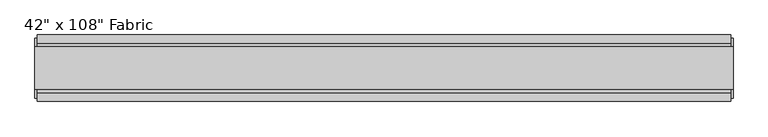
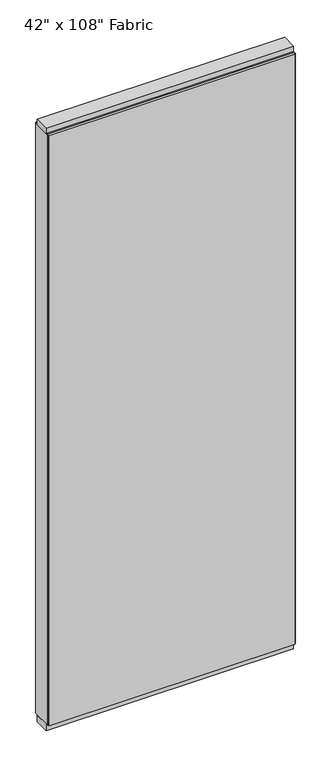
"""IFC4 building model written with IfcOpenShell, lengths in millimetres: furniture geometry."""

from ifc_helpers import new_model, si_unit, frame, origin, origin_with_axes, place, context, project, spatial, polyline, outline, extrude, source, transform, mapped, element, save


def furniture_d27c8e43(model_context):
    return source(origin(), model_context, "Body", "SweptSolid", [
        extrude(outline(polyline([(469.4264771, -46.2822784), (-589.4995229, -46.2822784), (-589.4995229, -33.5822784), (469.4264771, -33.5822784), (469.4264771, -46.2822784)])), frame((0.0, 0.0, 31.75), z_axis=(0.0, 0.0, 1.0), x_axis=(1.0, 0.0, 0.0)), (0.0, 0.0, 1.0), 2686.05),
        extrude(outline(polyline([(469.4264771, 55.3177216), (469.4264771, 42.6177216), (-589.4995229, 42.6177216), (-589.4995229, 55.3177216), (469.4264771, 55.3177216)])), frame((0.0, 0.0, 31.75), z_axis=(0.0, 0.0, 1.0), x_axis=(1.0, 0.0, 0.0)), (0.0, 0.0, 1.0), 2686.05),
        extrude(outline(polyline([(42.6177216, 2681.478), (37.6647216, 2681.478), (37.6647216, 2676.525), (-28.6292784, 2676.525), (-28.6292784, 2681.478), (-33.5822784, 2681.478), (-33.5822784, 2717.8), (42.6177216, 2717.8), (42.6177216, 2681.478)])), frame((-589.4995229, 0.0, 0.0), z_axis=(1.0, 0.0, 0.0), x_axis=(0.0, 1.0, 0.0)), (0.0, 0.0, 1.0), 1058.926),
        extrude(outline(polyline([(473.3634771, -27.9942784), (-593.4365229, -27.9942784), (-593.4365229, 37.0297216), (473.3634771, 37.0297216), (473.3634771, -27.9942784)])), origin_with_axes(), (0.0, 0.0, 1.0), 31.75),
        extrude(outline(polyline([(-593.4365229, 37.0297216), (473.3634771, 37.0297216), (473.3634771, -27.9942784), (-593.4365229, -27.9942784), (-593.4365229, 37.0297216)])), frame((0.0, 0.0, 2717.8), z_axis=(0.0, 0.0, 1.0), x_axis=(1.0, 0.0, 0.0)), (0.0, 0.0, 1.0), 25.4),
        extrude(outline(polyline([(473.3634771, 50.3647216), (473.3634771, -41.3292784), (469.4264771, -41.3292784), (469.4264771, 50.3647216), (473.3634771, 50.3647216)])), frame((0.0, 0.0, 31.75), z_axis=(0.0, 0.0, 1.0), x_axis=(1.0, 0.0, 0.0)), (0.0, 0.0, 1.0), 2686.05),
        extrude(outline(polyline([(-593.4365229, 50.3647216), (-589.4995229, 50.3647216), (-589.4995229, -41.3292784), (-593.4365229, -41.3292784), (-593.4365229, 50.3647216)])), frame((0.0, 0.0, 31.75), z_axis=(0.0, 0.0, 1.0), x_axis=(1.0, 0.0, 0.0)), (0.0, 0.0, 1.0), 2686.05),
    ])


if __name__ == "__main__":
    model = new_model("IFC4")
    model_context = context("Model", 3, world=origin())
    ifc_project = project(units=[si_unit("LENGTHUNIT", "METRE", prefix="MILLI")], contexts=[model_context])
    site = spatial("IfcSite", under=ifc_project)
    building = spatial("IfcBuilding", under=site)
    placement = place(None, origin())
    furniture_shape = furniture_d27c8e43(model_context)
    element("IfcFurniture", 1, ObjectType="42\" x 108\" Fabric", at=placement, inside=building, context=model_context, shape_type="MappedRepresentation", body=[
        mapped(furniture_shape, transform((0.0, 0.0, 0.0), x_axis=(1.0, 0.0, 0.0), y_axis=(0.0, 1.0, 0.0), z_axis=(0.0, 0.0, 1.0))),
    ])
    save(model, "model.ifc")
